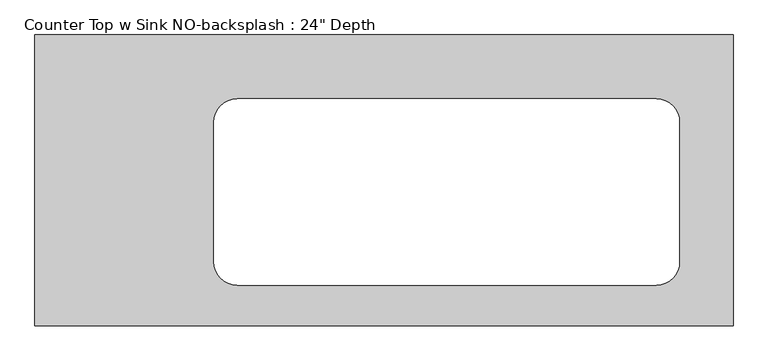
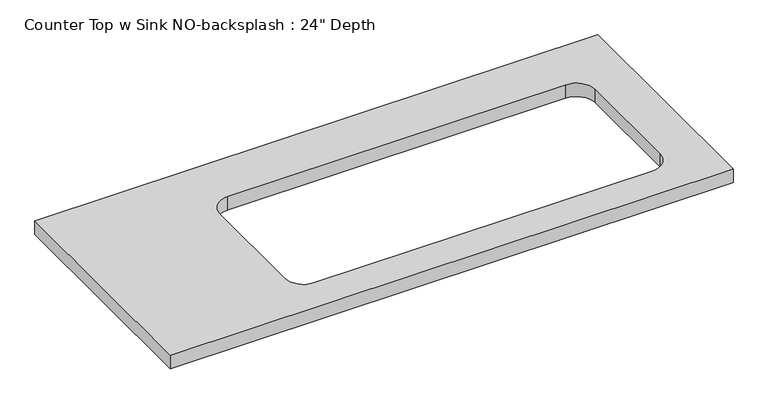
"""IFC4 building model written with IfcOpenShell, lengths in millimetres: furniture geometry."""

from ifc_helpers import new_model, si_unit, point, frame, frame_2d, origin, place, context, project, spatial, polyline, circle_curve, trimmed, segment, composite_curve, outline, extrude, source, transform, mapped, element, save


def furniture_2d283089(model_context):
    return source(origin(), model_context, "Body", "SweptSolid", [
        extrude(outline(polyline([(323.365255, 0.0), (323.365255, -635.0), (-1200.4622951, -635.0), (-1200.4622951, 0.0), (323.365255, 0.0)]), holes=[composite_curve([segment(polyline([(155.5297833, -139.7), (-758.8702167, -139.7)]), True, "CONTINUOUS"), segment(trimmed(circle_curve(frame_2d((-758.8702167, -190.5)), 50.8), [point((-758.8702167, -139.7))], [point((-809.6702167, -190.5))], True, "CARTESIAN"), True, "CONTINUOUS"), segment(polyline([(-809.6702167, -190.5), (-809.6702167, -495.3)]), True, "CONTINUOUS"), segment(trimmed(circle_curve(frame_2d((-758.8702167, -495.3)), 50.8), [point((-809.6702167, -495.3))], [point((-758.8702167, -546.1))], True, "CARTESIAN"), True, "CONTINUOUS"), segment(polyline([(-758.8702167, -546.1), (155.5297833, -546.1)]), True, "CONTINUOUS"), segment(trimmed(circle_curve(frame_2d((155.5297833, -495.3)), 50.8), [point((155.5297833, -546.1))], [point((206.3297833, -495.3))], True, "CARTESIAN"), True, "CONTINUOUS"), segment(polyline([(206.3297833, -495.3), (206.3297833, -190.5)]), True, "CONTINUOUS"), segment(trimmed(circle_curve(frame_2d((155.5297833, -190.5)), 50.8), [point((206.3297833, -190.5))], [point((155.5297833, -139.7))], True, "CARTESIAN"), True, "CONTINUOUS")], self_intersect=False)]), frame((0.0, 0.0, 876.3), z_axis=(0.0, 0.0, 1.0), x_axis=(1.0, 0.0, 0.0)), (0.0, 0.0, 1.0), 38.1),
    ])


if __name__ == "__main__":
    model = new_model("IFC4")
    model_context = context("Model", 3, world=origin())
    ifc_project = project(units=[si_unit("LENGTHUNIT", "METRE", prefix="MILLI")], contexts=[model_context])
    site = spatial("IfcSite", under=ifc_project)
    building = spatial("IfcBuilding", under=site)
    placement = place(None, origin())
    furniture_shape = furniture_2d283089(model_context)
    element("IfcFurniture", 1, ObjectType="Counter Top w Sink NO-backsplash : 24\" Depth", at=placement, inside=building, context=model_context, shape_type="MappedRepresentation", body=[
        mapped(furniture_shape, transform((0.0, 0.0, 0.0), x_axis=(1.0, 0.0, 0.0), y_axis=(0.0, 1.0, 0.0), z_axis=(0.0, 0.0, 1.0))),
    ])
    save(model, "model.ifc")
